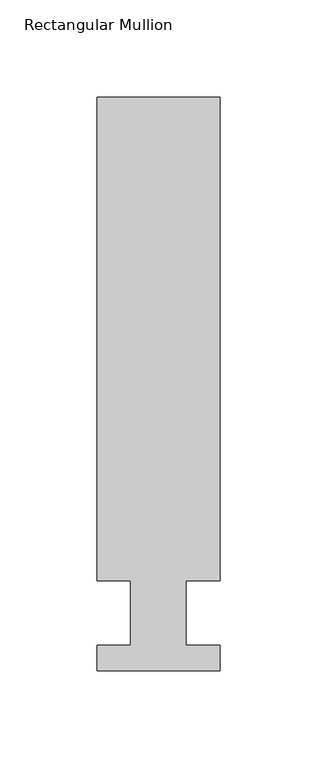
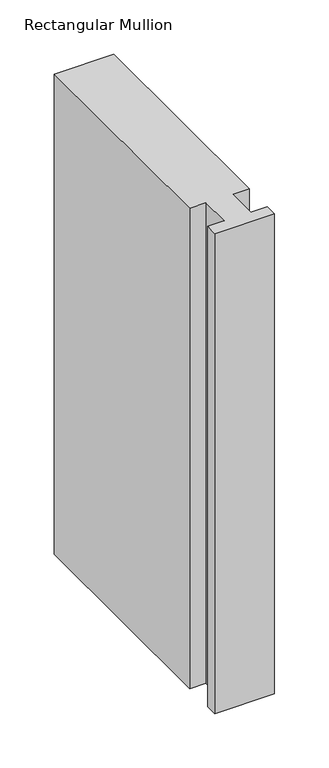
"""IFC4 building model written with IfcOpenShell, lengths in millimetres: member geometry, Rectangular Mullion."""

from ifc_helpers import new_model, si_unit, frame, origin, place, context, project, spatial, polyline, outline, extrude, source, transform, mapped, element, save


def rectangular_mullion_9e24a9a1(model_context):
    return source(origin(), model_context, "Body", "SweptSolid", [
        extrude(outline(polyline([(-63.5000004, 13.3945322), (-46.0248007, 13.3945322), (-46.0248007, 46.7447322), (-63.4999996, 46.7447323), (-63.4999996, 295.9695324), (0.0, 295.9695321), (0.0, 46.744732), (-17.4625006, 46.7447321), (-17.4625006, 13.3945321), (-3e-07, 13.3945321), (-3e-07, 0.211932), (-63.5000004, 0.2119323), (-63.5000004, 13.3945322)])), frame((0.0, 0.0, -540.0694233), z_axis=(0.0, 0.0, 1.0), x_axis=(1.0, 0.0, 0.0)), (0.0, 0.0, 1.0), 540.0694233),
    ])


if __name__ == "__main__":
    model = new_model("IFC4")
    model_context = context("Model", 3, world=origin())
    ifc_project = project(units=[si_unit("LENGTHUNIT", "METRE", prefix="MILLI")], contexts=[model_context])
    site = spatial("IfcSite", under=ifc_project)
    building = spatial("IfcBuilding", under=site)
    placement = place(None, origin())
    rectangular_mullion_shape = rectangular_mullion_9e24a9a1(model_context)
    element("IfcMember", 1, ObjectType="Rectangular Mullion", at=placement, inside=building, context=model_context, shape_type="MappedRepresentation", body=[
        mapped(rectangular_mullion_shape, transform((0.0, 0.0, 0.0), x_axis=(1.0, 0.0, 0.0), y_axis=(0.0, 1.0, 0.0), z_axis=(0.0, 0.0, 1.0))),
    ])
    save(model, "model.ifc")
